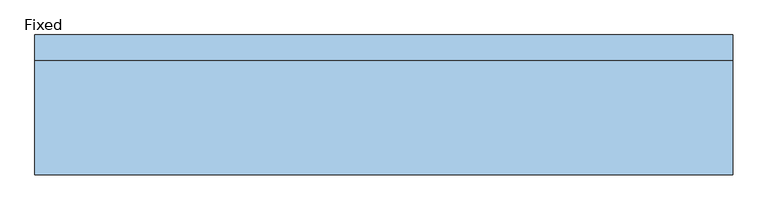
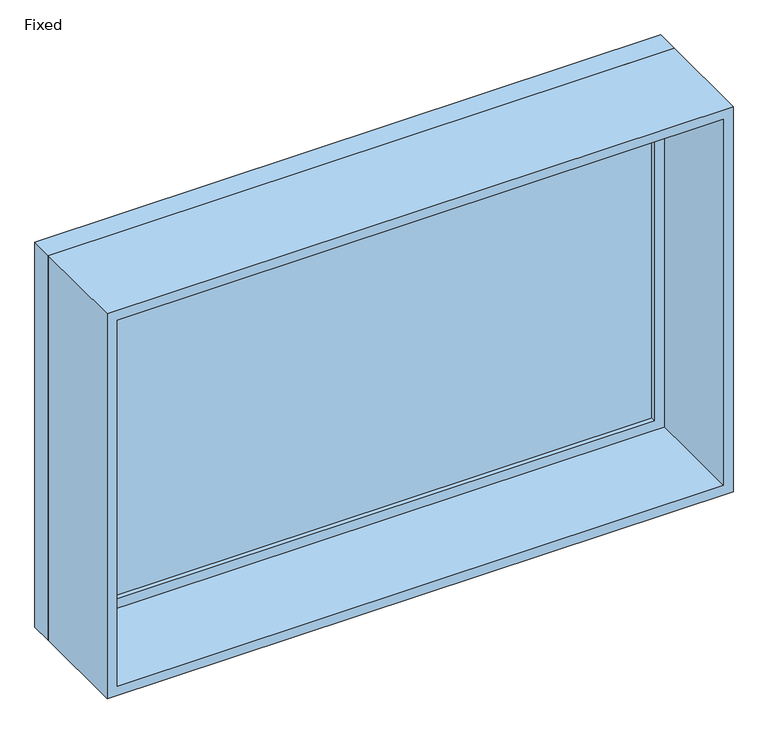
"""IFC4 building model written with IfcOpenShell, lengths in millimetres: window geometry, Fixed."""

from ifc_helpers import new_model, si_unit, frame, origin, place, context, project, spatial, polyline, outline, extrude, source, transform, mapped, element, save


def fixed_13e669b1(model_context):
    return source(origin(), model_context, "Body", "SweptSolid", [
        extrude(outline(polyline([(898.4, 141.425), (-974.6, 141.425), (-974.6, 154.125), (898.4, 154.125), (898.4, 141.425)])), frame((0.0, 0.0, 463.5), z_axis=(0.0, 0.0, 1.0), x_axis=(1.0, 0.0, 0.0)), (0.0, 0.0, 1.0), 1173.0),
        extrude(outline(polyline([(1680.95, -1019.05), (419.05, -1019.05), (419.05, 942.85), (1680.95, 942.85), (1680.95, -1019.05)]), holes=[polyline([(1636.5, -974.6), (1636.5, 898.4), (463.5, 898.4), (463.5, -974.6), (1636.5, -974.6)])]), frame((0.0, 125.55, 0.0), z_axis=(0.0, 1.0, 0.0), x_axis=(0.0, 0.0, 1.0)), (0.0, 0.0, 1.0), 44.45),
        extrude(outline(polyline([(1700.0, -1038.1), (400.0, -1038.1), (400.0, 961.9), (1700.0, 961.9), (1700.0, -1038.1)]), holes=[polyline([(1668.25, -1006.35), (1668.25, 930.15), (431.75, 930.15), (431.75, -1006.35), (1668.25, -1006.35)])]), frame((0.0, -200.0, 0.0), z_axis=(0.0, 1.0, 0.0), x_axis=(0.0, 0.0, 1.0)), (0.0, 0.0, 1.0), 325.55),
        extrude(outline(polyline([(1700.0, 961.9), (1700.0, -1038.1), (400.0, -1038.1), (400.0, 961.9), (1700.0, 961.9)]), holes=[polyline([(1680.95, 942.85), (419.05, 942.85), (419.05, -1019.05), (1680.95, -1019.05), (1680.95, 942.85)])]), frame((0.0, 125.55, 0.0), z_axis=(0.0, 1.0, 0.0), x_axis=(0.0, 0.0, 1.0)), (0.0, 0.0, 1.0), 74.45),
    ])


if __name__ == "__main__":
    model = new_model("IFC4")
    model_context = context("Model", 3, world=origin())
    ifc_project = project(units=[si_unit("LENGTHUNIT", "METRE", prefix="MILLI")], contexts=[model_context])
    site = spatial("IfcSite", under=ifc_project)
    building = spatial("IfcBuilding", under=site)
    placement = place(None, origin())
    fixed_shape = fixed_13e669b1(model_context)
    element("IfcWindow", 1, ObjectType="Fixed", at=placement, inside=building, context=model_context, shape_type="MappedRepresentation", body=[
        mapped(fixed_shape, transform((0.0, 0.0, 0.0), x_axis=(1.0, 0.0, 0.0), y_axis=(0.0, 1.0, 0.0), z_axis=(0.0, 0.0, 1.0))),
    ])
    save(model, "model.ifc")
